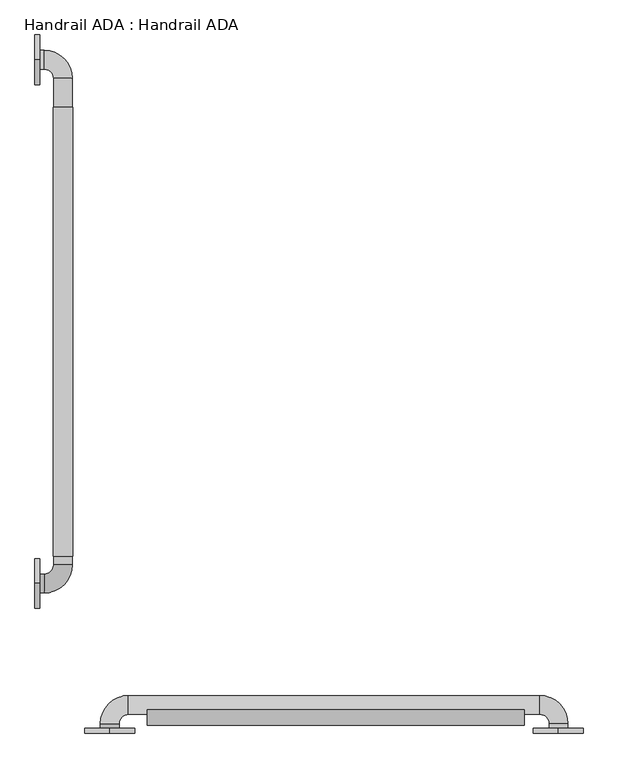
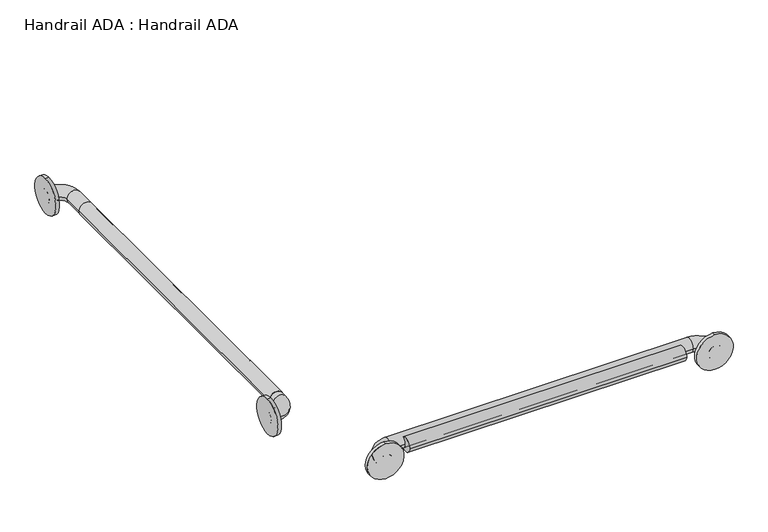
"""IFC4 building model written with IfcOpenShell, lengths in millimetres: proxy geometry, Handrail ADA : Handrail ADA."""

from ifc_helpers import new_model, si_unit, point, frame, frame_2d, origin, place, context, project, spatial, circle_curve, ellipse_curve, trimmed, segment, composite_curve, outline, extrude, source, transform, mapped, element, save
from ifc_brep_helpers import plane_surface, cylinder_surface, revolved_surface, advanced_brep


def handrail_ada_handrail_ada_6dc7d57f(model_context):
    return source(origin(), model_context, "Body", "SolidModel", [
        extrude(outline(composite_curve([segment(trimmed(circle_curve(frame_2d((889.0, 57.15)), 19.84375), [point((889.0, 76.99375))], [point((889.0, 37.30625))], False, "CARTESIAN"), True, "CONTINUOUS"), segment(trimmed(circle_curve(frame_2d((889.0, 57.15)), 19.84375), [point((889.0, 37.30625))], [point((889.0, 76.99375))], False, "CARTESIAN"), True, "CONTINUOUS")], self_intersect=False)), frame((0.0, 457.2, 0.0), z_axis=(0.0, 1.0, 0.0), x_axis=(0.0, 0.0, 1.0)), (0.0, 0.0, 1.0), 914.4),
        extrude(outline(composite_curve([segment(trimmed(circle_curve(frame_2d((132.994073, 889.0)), 19.84375), [point((113.150323, 889.0))], [point((152.837823, 889.0))], False, "CARTESIAN"), True, "CONTINUOUS"), segment(trimmed(circle_curve(frame_2d((132.994073, 889.0)), 19.84375), [point((152.837823, 889.0))], [point((113.150323, 889.0))], False, "CARTESIAN"), True, "CONTINUOUS")], self_intersect=False)), frame((228.6, 0.0, 0.0), z_axis=(1.0, 0.0, 0.0), x_axis=(0.0, 1.0, 0.0)), (0.0, 0.0, 1.0), 768.35),
        extrude(outline(composite_curve([segment(trimmed(circle_curve(frame_2d((889.0, 1065.9492842)), 50.8), [point((838.2, 1065.9492842))], [point((939.8, 1065.9492842))], False, "CARTESIAN"), True, "CONTINUOUS"), segment(trimmed(circle_curve(frame_2d((889.0, 1065.9492842)), 50.8), [point((939.8, 1065.9492842))], [point((838.2, 1065.9492842))], False, "CARTESIAN"), True, "CONTINUOUS")], self_intersect=False)), frame((0.0, 96.8375, 0.0), z_axis=(0.0, 1.0, 0.0), x_axis=(0.0, 0.0, 1.0)), (0.0, 0.0, 1.0), 9.525),
        extrude(outline(composite_curve([segment(trimmed(circle_curve(frame_2d((889.0, 152.4)), 50.8), [point((838.2, 152.4))], [point((939.8, 152.4))], False, "CARTESIAN"), True, "CONTINUOUS"), segment(trimmed(circle_curve(frame_2d((889.0, 152.4)), 50.8), [point((939.8, 152.4))], [point((838.2, 152.4))], False, "CARTESIAN"), True, "CONTINUOUS")], self_intersect=False)), frame((0.0, 96.8375, 0.0), z_axis=(0.0, 1.0, 0.0), x_axis=(0.0, 0.0, 1.0)), (0.0, 0.0, 1.0), 9.525),
        extrude(outline(composite_curve([segment(trimmed(circle_curve(frame_2d((401.6375, 889.0)), 50.8), [point((401.6375, 838.2))], [point((401.6375, 939.8))], False, "CARTESIAN"), True, "CONTINUOUS"), segment(trimmed(circle_curve(frame_2d((401.6375, 889.0)), 50.8), [point((401.6375, 939.8))], [point((401.6375, 838.2))], False, "CARTESIAN"), True, "CONTINUOUS")], self_intersect=False)), frame((0.0, 0.0, 0.0), z_axis=(1.0, 0.0, 0.0), x_axis=(0.0, 1.0, 0.0)), (0.0, 0.0, 1.0), 9.525),
        extrude(outline(composite_curve([segment(trimmed(circle_curve(frame_2d((1468.4375, 889.0)), 50.8), [point((1468.4375, 838.2))], [point((1468.4375, 939.8))], False, "CARTESIAN"), True, "CONTINUOUS"), segment(trimmed(circle_curve(frame_2d((1468.4375, 889.0)), 50.8), [point((1468.4375, 939.8))], [point((1468.4375, 838.2))], False, "CARTESIAN"), True, "CONTINUOUS")], self_intersect=False)), frame((0.0, 0.0, 0.0), z_axis=(1.0, 0.0, 0.0), x_axis=(0.0, 1.0, 0.0)), (0.0, 0.0, 1.0), 9.525),
        advanced_brep(
        [(1085.85, 96.8375, 889.0), (1047.75, 96.8375, 889.0), (1085.85, 115.8875, 889.0), (1047.75, 115.8875, 889.0), (1028.7, 134.9375, 889.0), (1028.7, 173.0375, 889.0), (190.5, 173.0375, 889.0), (190.5, 134.9375, 889.0), (171.45, 115.8875, 889.0), (133.35, 115.8875, 889.0), (133.35, 96.8375, 889.0), (171.45, 96.8375, 889.0)],
        [
            (0, 1, circle_curve(frame((1066.8, 96.8375, 889.0), z_axis=(0.0, -1.0, 0.0), x_axis=(-1.0, 0.0, 0.0)), 19.05)),
            (1, 0, circle_curve(frame((1066.8, 96.8375, 889.0), z_axis=(0.0, -1.0, 0.0), x_axis=(-1.0, 0.0, 0.0)), 19.05)),
            (0, 2),
            (2, 3, circle_curve(frame((1066.8, 115.8875, 889.0), z_axis=(0.0, -1.0, 0.0), x_axis=(-1.0, 0.0, 0.0)), 19.05)),
            (3, 1),
            (3, 2, circle_curve(frame((1066.8, 115.8875, 889.0), z_axis=(0.0, -1.0, 0.0), x_axis=(-1.0, 0.0, 0.0)), 19.05)),
            (4, 3, circle_curve(frame((1028.7, 115.8875, 889.0), z_axis=(0.0, 0.0, -1.0), x_axis=(1.0, 0.0, 0.0)), 19.05)),
            (2, 5, circle_curve(frame((1028.7, 115.8875, 889.0), z_axis=(0.0, 0.0, 1.0), x_axis=(1.0, 0.0, 0.0)), 57.15)),
            (5, 4, circle_curve(frame((1028.7, 153.9875, 889.0), z_axis=(1.0, 0.0, 0.0), x_axis=(0.0, -1.0, 0.0)), 19.05)),
            (4, 5, circle_curve(frame((1028.7, 153.9875, 889.0), z_axis=(1.0, 0.0, 0.0), x_axis=(0.0, -1.0, 0.0)), 19.05)),
            (5, 6),
            (6, 7, circle_curve(frame((190.5, 153.9875, 889.0), z_axis=(1.0, 0.0, 0.0), x_axis=(0.0, -1.0, 0.0)), 19.05)),
            (7, 4),
            (7, 6, circle_curve(frame((190.5, 153.9875, 889.0), z_axis=(1.0, 0.0, 0.0), x_axis=(0.0, -1.0, 0.0)), 19.05)),
            (8, 7, circle_curve(frame((190.5, 115.8875, 889.0), z_axis=(0.0, 0.0, -1.0), x_axis=(0.0, 1.0, 0.0)), 19.05)),
            (6, 9, circle_curve(frame((190.5, 115.8875, 889.0), z_axis=(0.0, 0.0, 1.0), x_axis=(0.0, 1.0, 0.0)), 57.15)),
            (9, 8, circle_curve(frame((152.4, 115.8875, 889.0), z_axis=(0.0, 1.0, 0.0), x_axis=(1.0, 0.0, 0.0)), 19.05)),
            (8, 9, circle_curve(frame((152.4, 115.8875, 889.0), z_axis=(0.0, 1.0, 0.0), x_axis=(1.0, 0.0, 0.0)), 19.05)),
            (10, 11, circle_curve(frame((152.4, 96.8375, 889.0), z_axis=(0.0, -1.0, 0.0), x_axis=(1.0, 0.0, 0.0)), 19.05)),
            (11, 10, circle_curve(frame((152.4, 96.8375, 889.0), z_axis=(0.0, -1.0, 0.0), x_axis=(1.0, 0.0, 0.0)), 19.05)),
            (9, 10),
            (11, 8),
        ],
        [
            plane_surface(frame((1066.8, 96.8375, 889.0), z_axis=(0.0, -1.0, 0.0), x_axis=(0.0, 0.0, 1.0))),
            cylinder_surface(frame((1066.8, 96.8375, 889.0), z_axis=(0.0, -1.0, 0.0), x_axis=(-1.0, 0.0, 0.0)), 19.05),
            revolved_surface(trimmed(ellipse_curve(frame((1066.8, 115.8875, 889.0), z_axis=(0.0, -1.0, 0.0), x_axis=(-1.0, 0.0, 0.0)), 19.05, 19.05), [point((1085.85, 115.8875, 889.0))], [point((1047.75, 115.8875, 889.0))], True, "CARTESIAN"), (1028.7, 115.8875, 889.0), (0.0, 0.0, 1.0)),
            revolved_surface(trimmed(ellipse_curve(frame((1066.8, 115.8875, 889.0), z_axis=(0.0, -1.0, 0.0), x_axis=(-1.0, 0.0, 0.0)), 19.05, 19.05), [point((1047.75, 115.8875, 889.0))], [point((1085.85, 115.8875, 889.0))], True, "CARTESIAN"), (1028.7, 115.8875, 889.0), (0.0, 0.0, 1.0)),
            cylinder_surface(frame((1028.7, 153.9875, 889.0), z_axis=(1.0, 0.0, 0.0), x_axis=(0.0, -1.0, 0.0)), 19.05),
            revolved_surface(trimmed(ellipse_curve(frame((190.5, 153.9875, 889.0), z_axis=(1.0, 0.0, 0.0), x_axis=(0.0, -1.0, 0.0)), 19.05, 19.05), [point((190.5, 173.0375, 889.0))], [point((190.5, 134.9375, 889.0))], True, "CARTESIAN"), (190.5, 115.8875, 889.0), (0.0, 0.0, 1.0)),
            revolved_surface(trimmed(ellipse_curve(frame((190.5, 153.9875, 889.0), z_axis=(1.0, 0.0, 0.0), x_axis=(0.0, -1.0, 0.0)), 19.05, 19.05), [point((190.5, 134.9375, 889.0))], [point((190.5, 173.0375, 889.0))], True, "CARTESIAN"), (190.5, 115.8875, 889.0), (0.0, 0.0, 1.0)),
            plane_surface(frame((152.4, 96.8375, 889.0), z_axis=(0.0, -1.0, 0.0), x_axis=(0.0, 0.0, 1.0))),
            cylinder_surface(frame((152.4, 115.8875, 889.0), z_axis=(0.0, 1.0, 0.0), x_axis=(1.0, 0.0, 0.0)), 19.05),
        ],
        [
            (0, [[1, 2]]),
            (1, [[-1, 3, 4, 5]]),
            (1, [[-2, -5, 6, -3]]),
            (2, [[7, -4, 8, 9]]),
            (3, [[-8, -6, -7, 10]]),
            (4, [[-9, 11, 12, 13]]),
            (4, [[-10, -13, 14, -11]]),
            (5, [[15, -12, 16, 17]]),
            (6, [[-16, -14, -15, 18]]),
            (7, [[19, 20]]),
            (8, [[-17, 21, -20, 22]]),
            (8, [[-18, -22, -19, -21]]),
        ],
    ),
        advanced_brep(
        [(0.0, 382.5875, 889.0), (0.0, 420.6875, 889.0), (19.05, 382.5875, 889.0), (19.05, 420.6875, 889.0), (38.1, 439.7375, 889.0), (76.2, 439.7375, 889.0), (76.2, 1430.3375, 889.0), (38.1, 1430.3375, 889.0), (19.05, 1449.3875, 889.0), (19.05, 1487.4875, 889.0), (0.0, 1487.4875, 889.0), (0.0, 1449.3875, 889.0)],
        [
            (0, 1, circle_curve(frame((0.0, 401.6375, 889.0), z_axis=(-1.0, 0.0, 0.0), x_axis=(0.0, 1.0, 0.0)), 19.05)),
            (1, 0, circle_curve(frame((0.0, 401.6375, 889.0), z_axis=(-1.0, 0.0, 0.0), x_axis=(0.0, 1.0, 0.0)), 19.05)),
            (0, 2),
            (2, 3, circle_curve(frame((19.05, 401.6375, 889.0), z_axis=(-1.0, 0.0, 0.0), x_axis=(0.0, 1.0, 0.0)), 19.05)),
            (3, 1),
            (3, 2, circle_curve(frame((19.05, 401.6375, 889.0), z_axis=(-1.0, 0.0, 0.0), x_axis=(0.0, 1.0, 0.0)), 19.05)),
            (4, 3, circle_curve(frame((19.05, 439.7375, 889.0), z_axis=(0.0, 0.0, -1.0), x_axis=(0.0, -1.0, 0.0)), 19.05)),
            (2, 5, circle_curve(frame((19.05, 439.7375, 889.0), z_axis=(0.0, 0.0, 1.0), x_axis=(0.0, -1.0, 0.0)), 57.15)),
            (5, 4, circle_curve(frame((57.15, 439.7375, 889.0), z_axis=(0.0, -1.0, 0.0), x_axis=(-1.0, 0.0, 0.0)), 19.05)),
            (4, 5, circle_curve(frame((57.15, 439.7375, 889.0), z_axis=(0.0, -1.0, 0.0), x_axis=(-1.0, 0.0, 0.0)), 19.05)),
            (5, 6),
            (6, 7, circle_curve(frame((57.15, 1430.3375, 889.0), z_axis=(0.0, -1.0, 0.0), x_axis=(-1.0, 0.0, 0.0)), 19.05)),
            (7, 4),
            (7, 6, circle_curve(frame((57.15, 1430.3375, 889.0), z_axis=(0.0, -1.0, 0.0), x_axis=(-1.0, 0.0, 0.0)), 19.05)),
            (8, 7, circle_curve(frame((19.05, 1430.3375, 889.0), z_axis=(0.0, 0.0, -1.0), x_axis=(1.0, 0.0, 0.0)), 19.05)),
            (6, 9, circle_curve(frame((19.05, 1430.3375, 889.0), z_axis=(0.0, 0.0, 1.0), x_axis=(1.0, 0.0, 0.0)), 57.15)),
            (9, 8, circle_curve(frame((19.05, 1468.4375, 889.0), z_axis=(1.0, 0.0, 0.0), x_axis=(0.0, -1.0, 0.0)), 19.05)),
            (8, 9, circle_curve(frame((19.05, 1468.4375, 889.0), z_axis=(1.0, 0.0, 0.0), x_axis=(0.0, -1.0, 0.0)), 19.05)),
            (10, 11, circle_curve(frame((0.0, 1468.4375, 889.0), z_axis=(-1.0, 0.0, 0.0), x_axis=(0.0, -1.0, 0.0)), 19.05)),
            (11, 10, circle_curve(frame((0.0, 1468.4375, 889.0), z_axis=(-1.0, 0.0, 0.0), x_axis=(0.0, -1.0, 0.0)), 19.05)),
            (9, 10),
            (11, 8),
        ],
        [
            plane_surface(frame((0.0, 401.6375, 889.0), z_axis=(-1.0, 0.0, 0.0), x_axis=(0.0, 0.0, 1.0))),
            cylinder_surface(frame((0.0, 401.6375, 889.0), z_axis=(-1.0, 0.0, 0.0), x_axis=(0.0, 1.0, 0.0)), 19.05),
            revolved_surface(trimmed(ellipse_curve(frame((19.05, 401.6375, 889.0), z_axis=(-1.0, 0.0, 0.0), x_axis=(0.0, 1.0, 0.0)), 19.05, 19.05), [point((19.05, 382.5875, 889.0))], [point((19.05, 420.6875, 889.0))], True, "CARTESIAN"), (19.05, 439.7375, 889.0), (0.0, 0.0, 1.0)),
            revolved_surface(trimmed(ellipse_curve(frame((19.05, 401.6375, 889.0), z_axis=(-1.0, 0.0, 0.0), x_axis=(0.0, 1.0, 0.0)), 19.05, 19.05), [point((19.05, 420.6875, 889.0))], [point((19.05, 382.5875, 889.0))], True, "CARTESIAN"), (19.05, 439.7375, 889.0), (0.0, 0.0, 1.0)),
            cylinder_surface(frame((57.15, 439.7375, 889.0), z_axis=(0.0, -1.0, 0.0), x_axis=(-1.0, 0.0, 0.0)), 19.05),
            revolved_surface(trimmed(ellipse_curve(frame((57.15, 1430.3375, 889.0), z_axis=(0.0, -1.0, 0.0), x_axis=(-1.0, 0.0, 0.0)), 19.05, 19.05), [point((76.2, 1430.3375, 889.0))], [point((38.1, 1430.3375, 889.0))], True, "CARTESIAN"), (19.05, 1430.3375, 889.0), (0.0, 0.0, 1.0)),
            revolved_surface(trimmed(ellipse_curve(frame((57.15, 1430.3375, 889.0), z_axis=(0.0, -1.0, 0.0), x_axis=(-1.0, 0.0, 0.0)), 19.05, 19.05), [point((38.1, 1430.3375, 889.0))], [point((76.2, 1430.3375, 889.0))], True, "CARTESIAN"), (19.05, 1430.3375, 889.0), (0.0, 0.0, 1.0)),
            plane_surface(frame((0.0, 1468.4375, 889.0), z_axis=(-1.0, 0.0, 0.0), x_axis=(0.0, 0.0, 1.0))),
            cylinder_surface(frame((19.05, 1468.4375, 889.0), z_axis=(1.0, 0.0, 0.0), x_axis=(0.0, -1.0, 0.0)), 19.05),
        ],
        [
            (0, [[1, 2]]),
            (1, [[-1, 3, 4, 5]]),
            (1, [[-2, -5, 6, -3]]),
            (2, [[7, -4, 8, 9]]),
            (3, [[-8, -6, -7, 10]]),
            (4, [[-9, 11, 12, 13]]),
            (4, [[-10, -13, 14, -11]]),
            (5, [[15, -12, 16, 17]]),
            (6, [[-16, -14, -15, 18]]),
            (7, [[19, 20]]),
            (8, [[-17, 21, -20, 22]]),
            (8, [[-18, -22, -19, -21]]),
        ],
    ),
    ])


if __name__ == "__main__":
    model = new_model("IFC4")
    model_context = context("Model", 3, world=origin())
    ifc_project = project(units=[si_unit("LENGTHUNIT", "METRE", prefix="MILLI")], contexts=[model_context])
    site = spatial("IfcSite", under=ifc_project)
    building = spatial("IfcBuilding", under=site)
    placement = place(None, origin())
    handrail_ada_handrail_ada_shape = handrail_ada_handrail_ada_6dc7d57f(model_context)
    element("IfcBuildingElementProxy", 1, Name="Handrail ADA : Handrail ADA", ObjectType="Handrail ADA : Handrail ADA", at=placement, inside=building, context=model_context, shape_type="MappedRepresentation", body=[
        mapped(handrail_ada_handrail_ada_shape, transform((0.0, 0.0, 0.0), x_axis=(1.0, 0.0, 0.0), y_axis=(0.0, 1.0, 0.0), z_axis=(0.0, 0.0, 1.0))),
    ])
    save(model, "model.ifc")
